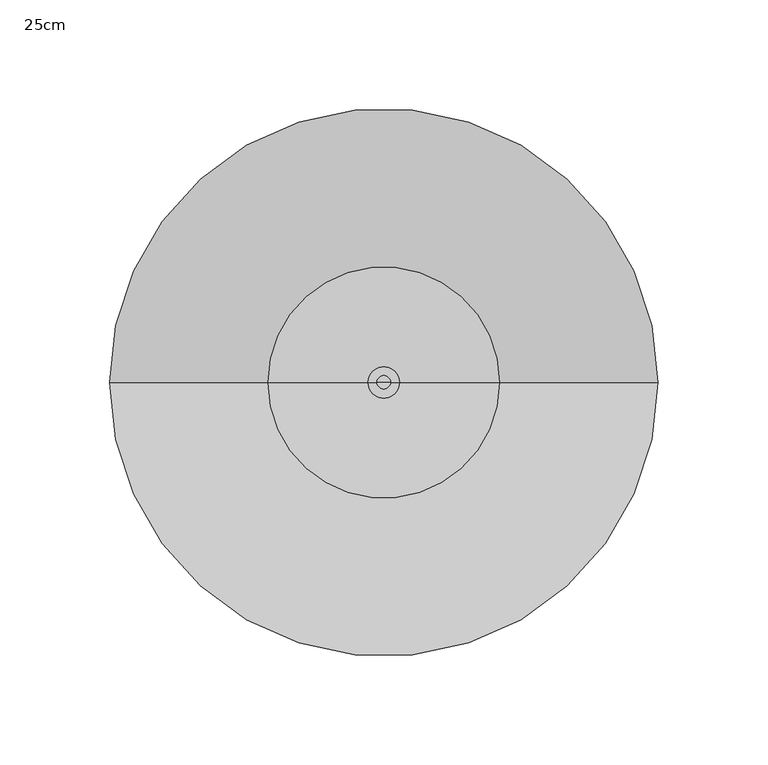
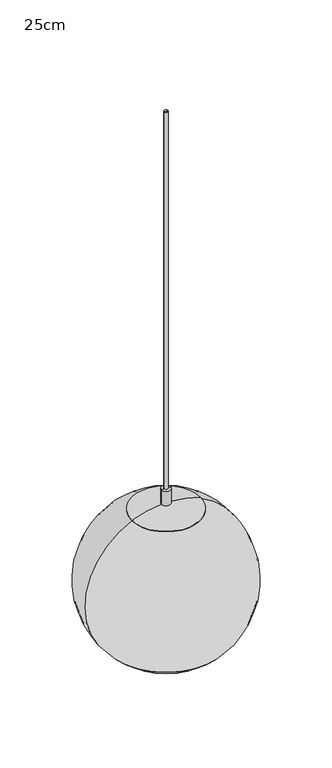
"""IFC4 building model written with IfcOpenShell, lengths in millimetres: furniture geometry, 25cm."""

from ifc_helpers import new_model, si_unit, point, frame, origin, place, context, project, spatial, polyline, circle_curve, ellipse_curve, trimmed, source, transform, mapped, element, save
from ifc_brep_helpers import plane_surface, cylinder_surface, revolved_surface, advanced_brep


def furniture_25cm_df013ec2(model_context):
    return source(origin(), model_context, "Body", "AdvancedBrep", [
        advanced_brep(
        [(86.9454626, 0.0, 1770.6667461), (-86.9454626, 0.0, 1770.6667461), (0.0, 0.0, 1735.0711697), (88.3882398, 0.0, 1770.6667461), (-88.3882398, 0.0, 1770.6667461), (0.0, 0.0, 1734.0551697)],
        [
            (0, 1, circle_curve(frame((0.0, 0.0, 1770.6667461), z_axis=(0.0, 0.0, 1.0), x_axis=(-1.0, 0.0, 0.0)), 86.9454626)),
            (1, 2, circle_curve(frame((-5.66e-05, 0.0, 1859.054956), z_axis=(0.0, -1.0, 0.0), x_axis=(1.0, 0.0, 0.0)), 123.9837863)),
            (2, 0, circle_curve(frame((5.66e-05, 0.0, 1859.054956), z_axis=(0.0, -1.0, 0.0), x_axis=(-1.0, 0.0, 0.0)), 123.9837863)),
            (1, 0, circle_curve(frame((0.0, 0.0, 1770.6667461), z_axis=(0.0, 0.0, 1.0), x_axis=(-1.0, 0.0, 0.0)), 86.9454626)),
            (3, 4, circle_curve(frame((0.0, 0.0, 1770.6667461), z_axis=(0.0, 0.0, 1.0), x_axis=(-1.0, 0.0, 0.0)), 88.3882398)),
            (4, 1),
            (0, 3),
            (4, 3, circle_curve(frame((0.0, 0.0, 1770.6667461), z_axis=(0.0, 0.0, 1.0), x_axis=(-1.0, 0.0, 0.0)), 88.3882398)),
            (5, 4, circle_curve(frame((-5.66e-05, 0.0, 1859.054956), z_axis=(0.0, 1.0, 0.0), x_axis=(1.0, 0.0, 0.0)), 124.9997863)),
            (3, 5, circle_curve(frame((5.66e-05, 0.0, 1859.054956), z_axis=(0.0, 1.0, 0.0), x_axis=(-1.0, 0.0, 0.0)), 124.9997863)),
        ],
        [
            revolved_surface(trimmed(ellipse_curve(frame((-5.66e-05, 0.0, 1859.054956), z_axis=(0.0, 1.0, 0.0), x_axis=(1.0, 0.0, 0.0)), 123.9837863, 123.9837863), [point((0.0, 0.0, 1735.0711697))], [point((-86.9454626, 0.0, 1770.6667461))], True, "CARTESIAN"), (0.0, 0.0, 1731.8433977), (0.0, 0.0, -1.0)),
            plane_surface(frame((0.0, 0.0, 1770.6667461), z_axis=(0.0, 0.0, 1.0), x_axis=(-1.0, 0.0, 0.0))),
            revolved_surface(trimmed(ellipse_curve(frame((-5.66e-05, 0.0, 1859.054956), z_axis=(0.0, -1.0, 0.0), x_axis=(1.0, 0.0, 0.0)), 124.9997863, 124.9997863), [point((-88.3882398, 0.0, 1770.6667461))], [point((0.0, 0.0, 1734.0551697))], True, "CARTESIAN"), (0.0, 0.0, 1731.8433977), (0.0, 0.0, -1.0)),
        ],
        [
            (0, [[1, 2, 3]]),
            (0, [[4, -3, -2]]),
            (1, [[5, 6, -1, 7]]),
            (1, [[8, -7, -4, -6]]),
            (2, [[9, -5, 10]]),
            (2, [[-10, -8, -9]]),
        ],
    ),
        advanced_brep(
        [(7.1339359, 0.0, 2006.6), (-7.1339359, 0.0, 2006.6), (0.0, 0.0, 2006.6), (7.1339359, 0.0, 1983.3574615), (-7.1339359, 0.0, 1983.3574615), (52.5595398, 0.0, 1973.4782806), (-52.5595398, 0.0, 1973.4782806), (52.3137471, 0.0, 1972.4924602), (-52.3137471, 0.0, 1972.4924602), (88.3882398, 0.0, 1770.6667461), (-88.3882398, 0.0, 1770.6667461), (86.9548851, 0.0, 1770.6667461), (-86.9548851, 0.0, 1770.6667461), (50.7799769, 0.0, 1972.0824982), (-50.7799769, 0.0, 1972.0824982), (18.793714, 0.0, 1972.0824982), (-18.793714, 0.0, 1972.0824982), (21.1385136, 0.0, 1966.2299691), (-21.1385136, 0.0, 1966.2299691), (21.1385136, 0.0, 1921.2797485), (-21.1385136, 0.0, 1921.2797485), (16.6210613, 0.0, 1921.2797485), (-16.6210613, 0.0, 1921.2797485), (16.6210613, 0.0, 1937.7926422), (-16.6210613, 0.0, 1937.7926422), (0.0, 0.0, 1937.7926422)],
        [
            (0, 1, circle_curve(frame((0.0, 0.0, 2006.6), z_axis=(0.0, 0.0, 1.0), x_axis=(-1.0, 0.0, 0.0)), 7.1339359)),
            (1, 2),
            (2, 0),
            (1, 0, circle_curve(frame((0.0, 0.0, 2006.6), z_axis=(0.0, 0.0, 1.0), x_axis=(-1.0, 0.0, 0.0)), 7.1339359)),
            (3, 4, circle_curve(frame((0.0, 0.0, 1983.3574615), z_axis=(0.0, 0.0, 1.0), x_axis=(-1.0, 0.0, 0.0)), 7.1339359)),
            (4, 1),
            (0, 3),
            (4, 3, circle_curve(frame((0.0, 0.0, 1983.3574615), z_axis=(0.0, 0.0, 1.0), x_axis=(-1.0, 0.0, 0.0)), 7.1339359)),
            (5, 6, circle_curve(frame((0.0, 0.0, 1973.4782806), z_axis=(0.0, 0.0, 1.0), x_axis=(-1.0, 0.0, 0.0)), 52.5595398)),
            (6, 4, circle_curve(frame((1.5633187, 0.0, 1833.9908381), z_axis=(0.0, 1.0, 0.0), x_axis=(1.0, 0.0, 0.0)), 149.6196192)),
            (3, 5, circle_curve(frame((-1.5633187, 0.0, 1833.9908381), z_axis=(0.0, 1.0, 0.0), x_axis=(-1.0, 0.0, 0.0)), 149.6196192)),
            (6, 5, circle_curve(frame((0.0, 0.0, 1973.4782806), z_axis=(0.0, 0.0, 1.0), x_axis=(-1.0, 0.0, 0.0)), 52.5595398)),
            (7, 8, circle_curve(frame((0.0, 0.0, 1972.4924602), z_axis=(0.0, 0.0, 1.0), x_axis=(-1.0, 0.0, 0.0)), 52.3137471)),
            (8, 6),
            (5, 7),
            (8, 7, circle_curve(frame((0.0, 0.0, 1972.4924602), z_axis=(0.0, 0.0, 1.0), x_axis=(-1.0, 0.0, 0.0)), 52.3137471)),
            (9, 10, circle_curve(frame((0.0, 0.0, 1770.6667461), z_axis=(0.0, 0.0, 1.0), x_axis=(-1.0, 0.0, 0.0)), 88.3882398)),
            (10, 8, circle_curve(frame((0.9320489, 0.0, 1858.838414), z_axis=(0.0, 1.0, 0.0), x_axis=(1.0, 0.0, 0.0)), 125.5083942)),
            (7, 9, circle_curve(frame((-0.9320489, 0.0, 1858.838414), z_axis=(0.0, 1.0, 0.0), x_axis=(-1.0, 0.0, 0.0)), 125.5083942)),
            (10, 9, circle_curve(frame((0.0, 0.0, 1770.6667461), z_axis=(0.0, 0.0, 1.0), x_axis=(-1.0, 0.0, 0.0)), 88.3882398)),
            (11, 12, circle_curve(frame((0.0, 0.0, 1770.6667461), z_axis=(0.0, 0.0, 1.0), x_axis=(-1.0, 0.0, 0.0)), 86.9548851)),
            (12, 10),
            (9, 11),
            (12, 11, circle_curve(frame((0.0, 0.0, 1770.6667461), z_axis=(0.0, 0.0, 1.0), x_axis=(-1.0, 0.0, 0.0)), 86.9548851)),
            (13, 14, circle_curve(frame((0.0, 0.0, 1972.0824982), z_axis=(0.0, 0.0, 1.0), x_axis=(-1.0, 0.0, 0.0)), 50.7799769)),
            (14, 12, circle_curve(frame((0.9320489, 0.0, 1858.838414), z_axis=(0.0, -1.0, 0.0), x_axis=(1.0, 0.0, 0.0)), 124.4923942)),
            (11, 13, circle_curve(frame((-0.9320489, 0.0, 1858.838414), z_axis=(0.0, -1.0, 0.0), x_axis=(-1.0, 0.0, 0.0)), 124.4923942)),
            (14, 13, circle_curve(frame((0.0, 0.0, 1972.0824982), z_axis=(0.0, 0.0, 1.0), x_axis=(-1.0, 0.0, 0.0)), 50.7799769)),
            (15, 16, circle_curve(frame((0.0, 0.0, 1972.0824982), z_axis=(0.0, 0.0, 1.0), x_axis=(-1.0, 0.0, 0.0)), 18.793714)),
            (16, 14),
            (13, 15),
            (16, 15, circle_curve(frame((0.0, 0.0, 1972.0824982), z_axis=(0.0, 0.0, 1.0), x_axis=(-1.0, 0.0, 0.0)), 18.793714)),
            (17, 18, circle_curve(frame((0.0, 0.0, 1966.2299691), z_axis=(0.0, 0.0, 1.0), x_axis=(-1.0, 0.0, 0.0)), 21.1385136)),
            (18, 16),
            (15, 17),
            (18, 17, circle_curve(frame((0.0, 0.0, 1966.2299691), z_axis=(0.0, 0.0, 1.0), x_axis=(-1.0, 0.0, 0.0)), 21.1385136)),
            (19, 20, circle_curve(frame((0.0, 0.0, 1921.2797485), z_axis=(0.0, 0.0, 1.0), x_axis=(-1.0, 0.0, 0.0)), 21.1385136)),
            (20, 18),
            (17, 19),
            (20, 19, circle_curve(frame((0.0, 0.0, 1921.2797485), z_axis=(0.0, 0.0, 1.0), x_axis=(-1.0, 0.0, 0.0)), 21.1385136)),
            (21, 22, circle_curve(frame((0.0, 0.0, 1921.2797485), z_axis=(0.0, 0.0, 1.0), x_axis=(-1.0, 0.0, 0.0)), 16.6210613)),
            (22, 20),
            (19, 21),
            (22, 21, circle_curve(frame((0.0, 0.0, 1921.2797485), z_axis=(0.0, 0.0, 1.0), x_axis=(-1.0, 0.0, 0.0)), 16.6210613)),
            (23, 24, circle_curve(frame((0.0, 0.0, 1937.7926422), z_axis=(0.0, 0.0, 1.0), x_axis=(-1.0, 0.0, 0.0)), 16.6210613)),
            (24, 22),
            (21, 23),
            (24, 23, circle_curve(frame((0.0, 0.0, 1937.7926422), z_axis=(0.0, 0.0, 1.0), x_axis=(-1.0, 0.0, 0.0)), 16.6210613)),
            (25, 24),
            (23, 25),
        ],
        [
            plane_surface(frame((0.0, 0.0, 2006.6), z_axis=(0.0, 0.0, 1.0), x_axis=(-1.0, 0.0, 0.0))),
            cylinder_surface(frame((0.0, 0.0, 1684.3793864), z_axis=(0.0, 0.0, -1.0), x_axis=(-1.0, 0.0, 0.0)), 7.1339359),
            revolved_surface(trimmed(ellipse_curve(frame((1.5633187, 0.0, 1833.9908381), z_axis=(0.0, -1.0, 0.0), x_axis=(1.0, 0.0, 0.0)), 149.6196192, 149.6196192), [point((-7.1339359, 0.0, 1983.3574615))], [point((-52.5595398, 0.0, 1973.4782806))], True, "CARTESIAN"), (0.0, 0.0, 1684.3793864), (0.0, 0.0, -1.0)),
            revolved_surface(polyline([(-52.5595398, 0.0, 1973.4782806), (-52.3137471, 0.0, 1972.4924602)]), (0.0, 0.0, 1684.3793864), (0.0, 0.0, -1.0)),
            revolved_surface(trimmed(ellipse_curve(frame((0.9320489, 0.0, 1858.838414), z_axis=(0.0, -1.0, 0.0), x_axis=(1.0, 0.0, 0.0)), 125.5083942, 125.5083942), [point((-52.3137471, 0.0, 1972.4924602))], [point((-88.3882398, 0.0, 1770.6667461))], True, "CARTESIAN"), (0.0, 0.0, 1684.3793864), (0.0, 0.0, -1.0)),
            plane_surface(frame((0.0, 0.0, 1770.6667461), z_axis=(0.0, 0.0, -1.0), x_axis=(-1.0, 0.0, 0.0))),
            revolved_surface(trimmed(ellipse_curve(frame((0.9320489, 0.0, 1858.838414), z_axis=(0.0, 1.0, 0.0), x_axis=(1.0, 0.0, 0.0)), 124.4923942, 124.4923942), [point((-86.9548851, 0.0, 1770.6667461))], [point((-50.7799769, 0.0, 1972.0824982))], True, "CARTESIAN"), (0.0, 0.0, 1684.3793864), (0.0, 0.0, -1.0)),
            plane_surface(frame((0.0, 0.0, 1972.0824982), z_axis=(0.0, 0.0, -1.0), x_axis=(-1.0, 0.0, 0.0))),
            revolved_surface(polyline([(-18.793714, 0.0, 1972.0824982), (-21.1385136, 0.0, 1966.2299691)]), (0.0, 0.0, 1684.3793864), (0.0, 0.0, -1.0)),
            cylinder_surface(frame((0.0, 0.0, 1684.3793864), z_axis=(0.0, 0.0, -1.0), x_axis=(-1.0, 0.0, 0.0)), 21.1385136),
            plane_surface(frame((0.0, 0.0, 1921.2797485), z_axis=(0.0, 0.0, -1.0), x_axis=(-1.0, 0.0, 0.0))),
            revolved_surface(polyline([(-16.6210613, 0.0, 1921.2797485), (-16.6210613, 0.0, 1937.7926422)]), (0.0, 0.0, 1684.3793864), (0.0, 0.0, -1.0)),
            plane_surface(frame((0.0, 0.0, 1937.7926422), z_axis=(0.0, 0.0, -1.0), x_axis=(-1.0, 0.0, 0.0))),
        ],
        [
            (0, [[1, 2, 3]]),
            (0, [[4, -3, -2]]),
            (1, [[5, 6, -1, 7]]),
            (1, [[8, -7, -4, -6]]),
            (2, [[9, 10, -5, 11]]),
            (2, [[12, -11, -8, -10]]),
            (3, [[13, 14, -9, 15]]),
            (3, [[16, -15, -12, -14]]),
            (4, [[17, 18, -13, 19]]),
            (4, [[20, -19, -16, -18]]),
            (5, [[21, 22, -17, 23]]),
            (5, [[24, -23, -20, -22]]),
            (6, [[25, 26, -21, 27]]),
            (6, [[28, -27, -24, -26]]),
            (7, [[29, 30, -25, 31]]),
            (7, [[32, -31, -28, -30]]),
            (8, [[33, 34, -29, 35]]),
            (8, [[36, -35, -32, -34]]),
            (9, [[37, 38, -33, 39]]),
            (9, [[40, -39, -36, -38]]),
            (10, [[41, 42, -37, 43]]),
            (10, [[44, -43, -40, -42]]),
            (11, [[45, 46, -41, 47]]),
            (11, [[48, -47, -44, -46]]),
            (12, [[49, -45, 50]]),
            (12, [[-50, -48, -49]]),
        ],
    ),
        advanced_brep(
        [(3.0304241, 0.0, 2616.2), (-3.0304241, 0.0, 2616.2), (0.0, 0.0, 2616.2), (3.0304241, 0.0, 2006.6), (-3.0304241, 0.0, 2006.6), (0.0, 0.0, 2006.6)],
        [
            (0, 1, circle_curve(frame((0.0, 0.0, 2616.2), z_axis=(0.0, 0.0, 1.0), x_axis=(-1.0, 0.0, 0.0)), 3.0304241)),
            (1, 2),
            (2, 0),
            (1, 0, circle_curve(frame((0.0, 0.0, 2616.2), z_axis=(0.0, 0.0, 1.0), x_axis=(-1.0, 0.0, 0.0)), 3.0304241)),
            (3, 4, circle_curve(frame((0.0, 0.0, 2006.6), z_axis=(0.0, 0.0, 1.0), x_axis=(-1.0, 0.0, 0.0)), 3.0304241)),
            (4, 1),
            (0, 3),
            (4, 3, circle_curve(frame((0.0, 0.0, 2006.6), z_axis=(0.0, 0.0, 1.0), x_axis=(-1.0, 0.0, 0.0)), 3.0304241)),
            (5, 4),
            (3, 5),
        ],
        [
            plane_surface(frame((0.0, 0.0, 2616.2), z_axis=(0.0, 0.0, 1.0), x_axis=(-1.0, 0.0, 0.0))),
            cylinder_surface(frame((0.0, 0.0, 2751.6288111), z_axis=(0.0, 0.0, -1.0), x_axis=(-1.0, 0.0, 0.0)), 3.0304241),
            plane_surface(frame((0.0, 0.0, 2006.6), z_axis=(0.0, 0.0, -1.0), x_axis=(-1.0, 0.0, 0.0))),
        ],
        [
            (0, [[1, 2, 3]]),
            (0, [[4, -3, -2]]),
            (1, [[5, 6, -1, 7]]),
            (1, [[8, -7, -4, -6]]),
            (2, [[9, -5, 10]]),
            (2, [[-10, -8, -9]]),
        ],
    ),
    ])


if __name__ == "__main__":
    model = new_model("IFC4")
    model_context = context("Model", 3, world=origin())
    ifc_project = project(units=[si_unit("LENGTHUNIT", "METRE", prefix="MILLI")], contexts=[model_context])
    site = spatial("IfcSite", under=ifc_project)
    building = spatial("IfcBuilding", under=site)
    placement = place(None, origin())
    furniture_25cm_shape = furniture_25cm_df013ec2(model_context)
    element("IfcFurniture", 1, ObjectType="25cm", at=placement, inside=building, context=model_context, shape_type="MappedRepresentation", body=[
        mapped(furniture_25cm_shape, transform((0.0, 0.0, 0.0), x_axis=(1.0, 0.0, 0.0), y_axis=(0.0, 1.0, 0.0), z_axis=(0.0, 0.0, 1.0))),
    ])
    save(model, "model.ifc")
